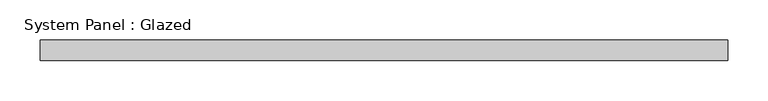
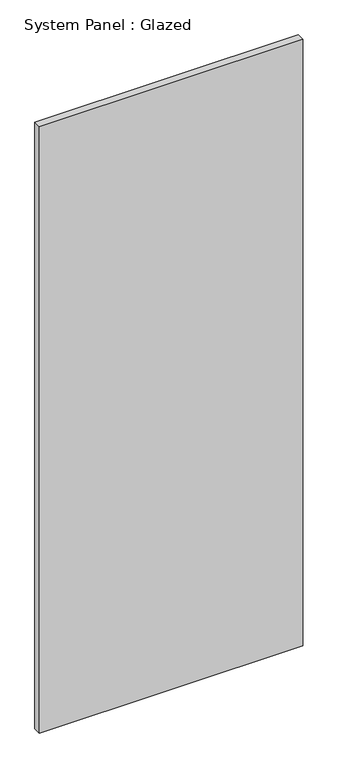
"""IFC4 building model written with IfcOpenShell, lengths in millimetres: plate geometry, System Panel : Glazed."""

import ifcopenshell
import ifcopenshell.guid

model = None  # the IFC model being written
_history = None  # IfcOwnerHistory: only IFC2X3 demands one
_inside = {}  # id of a spatial element -> (the spatial element, [elements in it])
_under = {}  # id of a project, library or spatial element -> (it, [spatial elements below it])
_declared = {}  # id of a project -> (the project, [libraries it declares])
_typed = {}  # id of a type object -> (the type object, [elements of that type])
_made_of = {}  # id of a material, layer set ... -> (it, [elements and type objects made of it])


def new_model(schema):
    """Start an empty IFC model of exactly this schema.

    Asked for "IFC4X3", IfcOpenShell would pick the latest addendum, in which some entities
    have other attributes; the version numbers below select the first issue.
    IFC2X3 requires an IfcOwnerHistory on every rooted entity: one is made here for all.
    """
    global model, _history
    if schema == "IFC4X3":
        model = ifcopenshell.file(schema_version=(4, 3, 0, 0))
    else:
        model = ifcopenshell.file(schema=schema)
    _inside.clear()
    _under.clear()
    _declared.clear()
    _typed.clear()
    _made_of.clear()
    _history = None
    if model.schema == "IFC2X3":
        org = make("IfcOrganization", Name="unknown")
        user = make(
            "IfcPersonAndOrganization",
            ThePerson=make("IfcPerson", FamilyName="unknown"),
            TheOrganization=org,
        )
        app = make(
            "IfcApplication",
            ApplicationDeveloper=org,
            Version="unknown",
            ApplicationFullName="unknown",
            ApplicationIdentifier="unknown",
        )
        _history = make(
            "IfcOwnerHistory",
            OwningUser=user,
            OwningApplication=app,
            ChangeAction="ADDED",
            CreationDate=0,
        )
    return model


def make(cls, **values):
    """One entity of the class cls with the attributes given. An attribute that is None is left unset."""
    return model.create_entity(
        cls, **{name: value for name, value in values.items() if value is not None}
    )


def rooted(cls, **values):
    """An entity with a GlobalId (a new one), such as an element, a storey or a relation."""
    return make(cls, GlobalId=ifcopenshell.guid.new(), OwnerHistory=_history, **values)


def si_unit(unit_type, name, prefix=None):
    """IfcSIUnit, for example si_unit("LENGTHUNIT", "METRE", prefix="MILLI")."""
    return make("IfcSIUnit", UnitType=unit_type, Prefix=prefix, Name=name)


def assignment(units):
    """IfcUnitAssignment: the units of a project."""
    return None if units is None else make("IfcUnitAssignment", Units=units)


def point(xyz):
    """IfcCartesianPoint."""
    return None if xyz is None else make("IfcCartesianPoint", Coordinates=xyz)


def direction(xyz):
    """IfcDirection."""
    return None if xyz is None else make("IfcDirection", DirectionRatios=xyz)


def frame(location, z_axis=None, x_axis=None):
    """IfcAxis2Placement3D, a coordinate frame: its origin and axes. An axis left out is left unset."""
    return make(
        "IfcAxis2Placement3D",
        Location=point(location),
        Axis=direction(z_axis),
        RefDirection=direction(x_axis),
    )


def origin():
    """The frame at (0, 0, 0) with its axes left unset."""
    return frame((0.0, 0.0, 0.0))


def origin_with_axes():
    """The frame at (0, 0, 0) with the z axis (0, 0, 1) and the x axis (1, 0, 0) written out."""
    return frame((0.0, 0.0, 0.0), z_axis=(0.0, 0.0, 1.0), x_axis=(1.0, 0.0, 0.0))


def place(relative_to, where):
    """IfcLocalPlacement: puts the frame where relative to a parent placement (None: the world)."""
    return make(
        "IfcLocalPlacement", PlacementRelTo=relative_to, RelativePlacement=where
    )


def context(
    kind, dimensions, precision=None, world=None, true_north=None, identifier=None
):
    """IfcGeometricRepresentationContext, for example the 3D "Model" context."""
    return make(
        "IfcGeometricRepresentationContext",
        ContextIdentifier=identifier,
        ContextType=kind,
        CoordinateSpaceDimension=dimensions,
        Precision=precision,
        WorldCoordinateSystem=world,
        TrueNorth=true_north,
    )


def project(units=None, contexts=None):
    """IfcProject with its units and contexts."""
    return rooted(
        "IfcProject",
        Name="project",
        RepresentationContexts=contexts,
        UnitsInContext=assignment(units),
    )


def spatial(cls, under=None, at=None, **own):
    """A site, building, storey or space (cls), placed at a placement, below another one or the project."""
    s = rooted(cls, ObjectPlacement=at, **own)
    if under is not None:
        _under.setdefault(under.id(), (under, []))[1].append(s)
    return s


def polyline(points):
    """IfcPolyline through the points."""
    return make("IfcPolyline", Points=[point(p) for p in points])


def outline(outer, holes=None, kind="AREA"):
    """IfcArbitraryClosedProfileDef: a profile drawn as a closed curve; with holes, ...WithVoids."""
    if holes is None:
        return make("IfcArbitraryClosedProfileDef", ProfileType=kind, OuterCurve=outer)
    return make(
        "IfcArbitraryProfileDefWithVoids",
        ProfileType=kind,
        OuterCurve=outer,
        InnerCurves=holes,
    )


def extrude(swept, where, along, depth):
    """IfcExtrudedAreaSolid: the profile swept, set in the frame where, extruded along a direction by depth."""
    return make(
        "IfcExtrudedAreaSolid",
        SweptArea=swept,
        Position=where,
        ExtrudedDirection=direction(along),
        Depth=depth,
    )


def shape(context_of_items, identifier, shape_type, items):
    """IfcShapeRepresentation: the items that make up one representation, for example the "Body"."""
    return make(
        "IfcShapeRepresentation",
        ContextOfItems=context_of_items,
        RepresentationIdentifier=identifier,
        RepresentationType=shape_type,
        Items=items,
    )


def source(mapping_origin, context_of_items, identifier, shape_type, items):
    """IfcRepresentationMap: a shape defined once, which mapped items show again and again."""
    return make(
        "IfcRepresentationMap",
        MappingOrigin=mapping_origin,
        MappedRepresentation=shape(context_of_items, identifier, shape_type, items),
    )


def transform(
    local_origin,
    x_axis=None,
    y_axis=None,
    z_axis=None,
    scale=None,
    scale2=None,
    scale3=None,
    uniform=True,
):
    """IfcCartesianTransformationOperator3D, or its non-uniform kind. x_axis, y_axis, z_axis: its Axis1, 2, 3."""
    if uniform:
        return make(
            "IfcCartesianTransformationOperator3D",
            Axis1=direction(x_axis),
            Axis2=direction(y_axis),
            LocalOrigin=point(local_origin),
            Scale=scale,
            Axis3=direction(z_axis),
        )
    return make(
        "IfcCartesianTransformationOperator3DnonUniform",
        Axis1=direction(x_axis),
        Axis2=direction(y_axis),
        LocalOrigin=point(local_origin),
        Scale=scale,
        Axis3=direction(z_axis),
        Scale2=scale2,
        Scale3=scale3,
    )


def mapped(mapping_source, mapping_target):
    """IfcMappedItem: shows the shape of a source again, moved by a transform."""
    return make(
        "IfcMappedItem", MappingSource=mapping_source, MappingTarget=mapping_target
    )


def made_of(thing, what):
    """Note that an element or type object is made of a material, layer set ...; save() writes the relation."""
    if what is not None:
        _made_of.setdefault(what.id(), (what, []))[1].append(thing)
    return thing


def element(
    cls,
    number,
    at=None,
    inside=None,
    cuts=None,
    type_object=None,
    material=None,
    context=None,
    identifier="Body",
    shape_type=None,
    held_by="IfcProductDefinitionShape",
    body=None,
    shapes=None,
    **own,
):
    """One element of the class cls, such as IfcWall. Its Tag is "e" and its number.

    at: its placement. inside: the storey or other place that contains it. cuts: it is an
    opening in that element (IfcRelVoidsElement). A single representation is given by context,
    identifier, shape_type and body (its items); several are given by shapes. held_by: the class
    of the entity that holds the representations. save() writes the other relations.
    """
    e = rooted(cls, Tag="e%d" % number, ObjectPlacement=at, **own)
    if body is not None:
        shapes = [shape(context, identifier, shape_type, body)]
    if shapes is not None:
        e.Representation = make(held_by, Representations=shapes)
    if inside is not None:
        _inside.setdefault(inside.id(), (inside, []))[1].append(e)
    if cuts is not None:
        rooted(
            "IfcRelVoidsElement", RelatingBuildingElement=cuts, RelatedOpeningElement=e
        )
    if type_object is not None:
        _typed.setdefault(type_object.id(), (type_object, []))[1].append(e)
    return made_of(e, material)


def aggregate(whole, parts):
    """IfcRelAggregates: a whole, such as a stair, and the parts it consists of."""
    return rooted("IfcRelAggregates", RelatingObject=whole, RelatedObjects=parts)


def save(model, path):
    """Write the relations noted so far, then the file.

    IfcRelAggregates (storeys below a building ...), IfcRelContainedInSpatialStructure (elements
    in a storey), IfcRelDefinesByType, IfcRelAssociatesMaterial and IfcRelDeclares: one each for
    every whole, place, type object, material and project.
    """
    for whole, parts in _under.values():
        aggregate(whole, parts)
    for where, things in _inside.values():
        rooted(
            "IfcRelContainedInSpatialStructure",
            RelatedElements=things,
            RelatingStructure=where,
        )
    for kind, things in _typed.values():
        rooted("IfcRelDefinesByType", RelatedObjects=things, RelatingType=kind)
    for what, things in _made_of.values():
        rooted("IfcRelAssociatesMaterial", RelatedObjects=things, RelatingMaterial=what)
    for by, libraries in _declared.values():
        rooted("IfcRelDeclares", RelatingContext=by, RelatedDefinitions=libraries)
    model.write(path)


def system_panel_glazed_59aebdd6(model_context):
    return source(origin(), model_context, "Body", "SweptSolid", [
        extrude(outline(polyline([(426.7664634, 19.05), (-426.7664634, 19.05), (-426.7664634, 44.45), (426.7664634, 44.45), (426.7664634, 19.05)])), origin_with_axes(), (0.0, 0.0, 1.0), 2076.45),
    ])


if __name__ == "__main__":
    model = new_model("IFC4")
    model_context = context("Model", 3, world=origin())
    ifc_project = project(units=[si_unit("LENGTHUNIT", "METRE", prefix="MILLI")], contexts=[model_context])
    site = spatial("IfcSite", under=ifc_project)
    building = spatial("IfcBuilding", under=site)
    placement = place(None, origin())
    system_panel_glazed_shape = system_panel_glazed_59aebdd6(model_context)
    element("IfcPlate", 1, ObjectType="System Panel : Glazed", at=placement, inside=building, context=model_context, shape_type="MappedRepresentation", body=[
        mapped(system_panel_glazed_shape, transform((0.0, 0.0, 0.0), x_axis=(1.0, 0.0, 0.0), y_axis=(0.0, 1.0, 0.0), z_axis=(0.0, 0.0, 1.0))),
    ])
    save(model, "model.ifc")
